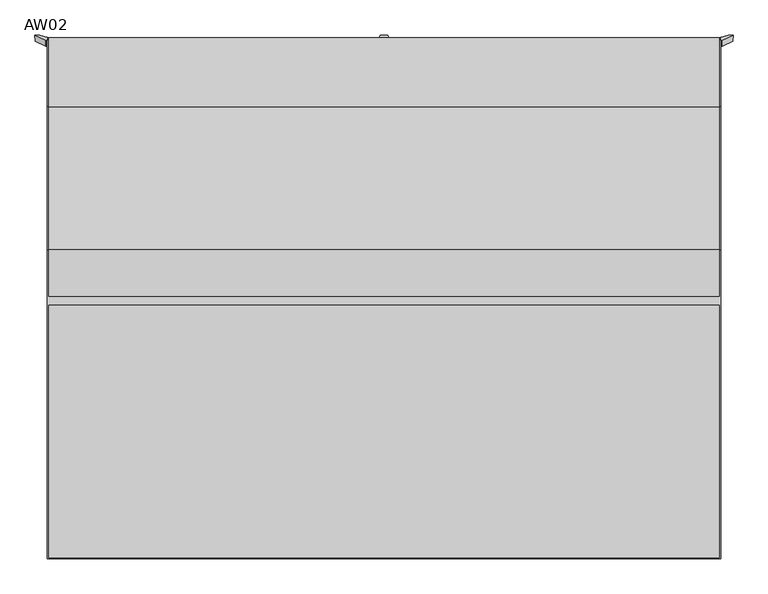
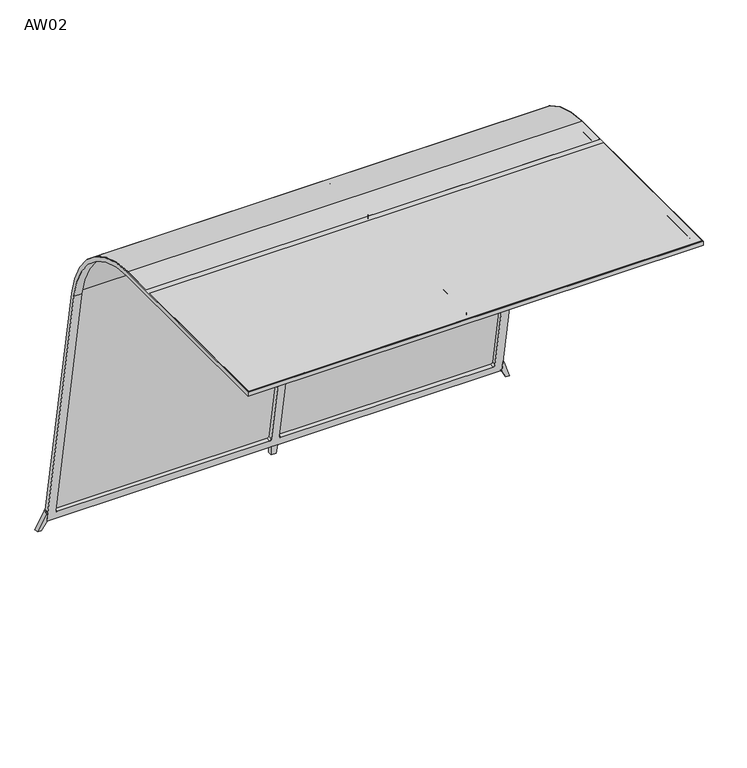
"""IFC4 building model written with IfcOpenShell, lengths in millimetres: furniture geometry, AW02."""

from ifc_helpers import new_model, si_unit, point, frame, frame_2d, origin, place, context, project, spatial, polyline, circle_curve, trimmed, segment, composite_curve, outline, extrude, faceted_brep, source, transform, mapped, element, save
from ifc_brep_helpers import plane_surface, cylinder_surface, revolved_surface, advanced_brep


def aw02_ad783341(model_context):
    return source(origin(), model_context, "Body", "SolidModel", [
        extrude(outline(polyline([(1445.0, 1093.0), (1445.0, 5.0), (-1445.0, 5.0), (-1445.0, 1093.0), (1445.0, 1093.0)])), frame((0.0, 0.0, 2276.5), z_axis=(0.0, 0.0, 1.0), x_axis=(1.0, 0.0, 0.0)), (0.0, 0.0, 1.0), 1.0),
        extrude(outline(composite_curve([segment(trimmed(circle_curve(frame_2d((1332.5, 1651.0)), 626.5), [point((1332.5, 2277.5))], [point((1949.4820573, 1759.7905833))], False, "CARTESIAN"), True, "CONTINUOUS"), segment(polyline([(1949.4820573, 1759.7905833), (2247.4623301, 69.8604791), (2246.4775224, 69.686831), (1948.4972495, 1759.6169351)]), True, "CONTINUOUS"), segment(trimmed(circle_curve(frame_2d((1332.5, 1651.0)), 625.5), [point((1948.4972495, 1759.6169351))], [point((1332.5, 2276.5))], True, "CARTESIAN"), True, "CONTINUOUS"), segment(polyline([(1332.5, 2276.5), (1133.0, 2276.5), (1133.0, 2277.5), (1332.5, 2277.5)]), True, "CONTINUOUS")], self_intersect=False)), frame((-1445.0, 0.0, 0.0), z_axis=(1.0, 0.0, 0.0), x_axis=(0.0, 1.0, 0.0)), (0.0, 0.0, 1.0), 2890.0),
        advanced_brep(
        [(1457.8660475, 2210.5325113, 120.9337011), (1453.1675844, 2209.9612263, 124.1736194), (1450.0, 2209.9612263, 124.1736194), (1450.0, 2221.3775041, 59.4286904), (1454.0192379, 2223.9822268, 44.6565741), (1480.1994594, 2231.8563857, 0.0), (1502.5613369, 2231.8563857, 0.0), (1454.0192379, 2249.5872284, 49.1714267), (1450.0, 2246.9825057, 63.943543), (1450.0, 2235.5662278, 128.6884721), (1453.1675844, 2235.5662278, 128.6884721), (1457.8660475, 2236.1375129, 125.4485537), (1504.229959, 2258.2574776, 0.0), (1482.8463225, 2258.2574776, 0.0)],
        [
            (0, 1, circle_curve(frame((1453.1675844, 2210.8294672, 119.2495807), z_axis=(0.0, -0.9848077530122067, -0.17364817766693855), x_axis=(0.0, -0.17364817766693855, 0.9848077530122067)), 5.0)),
            (1, 2),
            (2, 3),
            (3, 4, circle_curve(frame((1480.0, 2221.3775041, 59.4286904), z_axis=(0.0, -0.9848077530122067, -0.17364817766693855), x_axis=(0.0, -0.17364817766693855, 0.9848077530122067)), 30.0)),
            (4, 5),
            (5, 6),
            (6, 0),
            (7, 8, circle_curve(frame((1480.0, 2246.9825057, 63.943543), z_axis=(0.0, 0.9848077530122067, 0.17364817766693855), x_axis=(0.0, -0.17364817766693855, 0.9848077530122067)), 30.0)),
            (8, 9),
            (9, 10),
            (10, 11, circle_curve(frame((1453.1675844, 2236.4344687, 123.7644333), z_axis=(0.0, 0.9848077530122067, 0.17364817766693855), x_axis=(0.0, -0.17364817766693855, 0.9848077530122067)), 5.0)),
            (11, 12),
            (12, 13),
            (13, 7),
            (11, 0),
            (6, 12),
            (1, 10),
            (9, 2),
            (8, 3),
            (7, 4),
            (13, 5),
        ],
        [
            plane_surface(frame((1503.5809743, 2238.8887847, -39.8827167), z_axis=(0.0, -0.9848077530122067, -0.17364817766693852), x_axis=(0.4999999999998619, 0.1503837331804562, -0.8528685319525204))),
            plane_surface(frame((1503.5809743, 2264.4937863, -35.3678641), z_axis=(0.0, 0.9848077530122067, 0.17364817766693852), x_axis=(-0.4999999999998619, -0.1503837331804562, 0.8528685319525204))),
            plane_surface(frame((1517.3013932, 2238.8887847, -39.8827167), z_axis=(0.939692620785929, -0.059391174613877676, 0.3368240888334091), x_axis=(0.0, 0.9848077530122066, 0.17364817766693844))),
            plane_surface(frame((1453.1675844, 2209.9612263, 124.1736194), z_axis=(0.0, -0.17364817766694005, 0.9848077530122064), x_axis=(0.0, 0.9848077530122064, 0.17364817766694005))),
            plane_surface(frame((1450.0, 2209.9612263, 124.1736194), z_axis=(-1.0, 0.0, 0.0), x_axis=(0.0, 0.9848077530122061, 0.1736481776669413))),
            cylinder_surface(frame((1480.0, 2246.9825057, 63.943543), z_axis=(0.0, -0.9848077530122067, -0.17364817766693855), x_axis=(0.0, -0.17364817766693855, 0.9848077530122067)), 30.0),
            plane_surface(frame((1454.0192379, 2223.9822268, 44.6565741), z_axis=(-0.8660254037845184, 0.08682408883344525, -0.49240387650596734), x_axis=(0.0, 0.9848077530122066, 0.17364817766693844))),
            cylinder_surface(frame((1453.1675844, 2236.4344687, 123.7644333), z_axis=(0.0, -0.9848077530122067, -0.17364817766693855), x_axis=(0.0, -0.17364817766693855, 0.9848077530122067)), 5.0),
            plane_surface(frame((1523.0856845, 2299.3591091, 0.0), z_axis=(0.0, 0.0, -1.0), x_axis=(-1.0, 0.0, 0.0))),
        ],
        [
            (0, [[1, 2, 3, 4, 5, 6, 7]]),
            (1, [[8, 9, 10, 11, 12, 13, 14]]),
            (2, [[15, -7, 16, -12]]),
            (3, [[-2, 17, -10, 18]]),
            (4, [[-3, -18, -9, 19]]),
            (5, [[-4, -19, -8, 20]]),
            (6, [[-20, -14, 21, -5]]),
            (7, [[-1, -15, -11, -17]]),
            (8, [[-6, -21, -13, -16]]),
        ],
    ),
        advanced_brep(
        [(-1454.0192379, 2223.9822268, 44.6565741), (-1450.0, 2221.3775041, 59.4286904), (-1450.0, 2209.9612263, 124.1736194), (-1453.1675844, 2209.9612263, 124.1736194), (-1457.8660475, 2210.5325113, 120.9337011), (-1502.5613369, 2231.8563857, 0.0), (-1480.1994594, 2231.8563857, 0.0), (-1457.8660475, 2236.1375129, 125.4485537), (-1453.1675844, 2235.5662278, 128.6884721), (-1450.0, 2235.5662278, 128.6884721), (-1450.0, 2246.9825057, 63.943543), (-1454.0192379, 2249.5872284, 49.1714267), (-1482.8463225, 2258.2574776, 0.0), (-1504.229959, 2258.2574776, 0.0)],
        [
            (0, 1, circle_curve(frame((-1480.0, 2221.3775041, 59.4286904), z_axis=(0.0, -0.9848077530122067, -0.17364817766693855), x_axis=(0.0, -0.17364817766693855, 0.9848077530122067)), 30.0)),
            (1, 2),
            (2, 3),
            (3, 4, circle_curve(frame((-1453.1675844, 2210.8294672, 119.2495807), z_axis=(0.0, -0.9848077530122067, -0.17364817766693855), x_axis=(0.0, -0.17364817766693855, 0.9848077530122067)), 5.0)),
            (4, 5),
            (5, 6),
            (6, 0),
            (7, 8, circle_curve(frame((-1453.1675844, 2236.4344687, 123.7644333), z_axis=(0.0, 0.9848077530122067, 0.17364817766693855), x_axis=(0.0, -0.17364817766693855, 0.9848077530122067)), 5.0)),
            (8, 9),
            (9, 10),
            (10, 11, circle_curve(frame((-1480.0, 2246.9825057, 63.943543), z_axis=(0.0, 0.9848077530122067, 0.17364817766693855), x_axis=(0.0, -0.17364817766693855, 0.9848077530122067)), 30.0)),
            (11, 12),
            (12, 13),
            (13, 7),
            (5, 13),
            (12, 6),
            (0, 11),
            (10, 1),
            (9, 2),
            (8, 3),
            (7, 4),
        ],
        [
            plane_surface(frame((1503.5809743, 2238.8887847, -39.8827167), z_axis=(0.0, -0.9848077530122067, -0.17364817766693852), x_axis=(0.4999999999998619, 0.1503837331804562, -0.8528685319525204))),
            plane_surface(frame((1503.5809743, 2264.4937863, -35.3678641), z_axis=(0.0, 0.9848077530122067, 0.17364817766693852), x_axis=(-0.4999999999998619, -0.1503837331804562, 0.8528685319525204))),
            plane_surface(frame((1523.0856845, 2299.3591091, 0.0), z_axis=(0.0, 0.0, -1.0), x_axis=(-1.0, 0.0, 0.0))),
            cylinder_surface(frame((-1480.0, 2246.9825057, 63.943543), z_axis=(0.0, -0.9848077530122067, -0.17364817766693855), x_axis=(0.0, -0.17364817766693855, 0.9848077530122067)), 30.0),
            plane_surface(frame((-1450.0, 2221.3775041, 59.4286904), z_axis=(1.0, 0.0, -3.9822069507487565e-12), x_axis=(0.0, 0.9848077530122066, 0.17364817766693844))),
            plane_surface(frame((-1450.0, 2209.9612263, 124.1736194), z_axis=(0.0, -0.17364817766693877, 0.9848077530122066), x_axis=(0.0, 0.9848077530122066, 0.17364817766693877))),
            cylinder_surface(frame((-1453.1675844, 2236.4344687, 123.7644333), z_axis=(0.0, -0.9848077530122067, -0.17364817766693855), x_axis=(0.0, -0.17364817766693855, 0.9848077530122067)), 5.0),
            plane_surface(frame((-1457.8660475, 2210.5325113, 120.9337011), z_axis=(-0.9396926207858993, -0.05939117461389192, 0.33682408883348924), x_axis=(0.0, 0.9848077530122066, 0.17364817766693877))),
            plane_surface(frame((-1503.5809743, 2238.8887847, -39.8827167), z_axis=(0.8660254037844278, 0.08682408883347245, -0.49240387650612166), x_axis=(0.0, 0.9848077530122066, 0.17364817766693844))),
        ],
        [
            (0, [[1, 2, 3, 4, 5, 6, 7]]),
            (1, [[8, 9, 10, 11, 12, 13, 14]]),
            (2, [[-6, 15, -13, 16]]),
            (3, [[-1, 17, -11, 18]]),
            (4, [[-2, -18, -10, 19]]),
            (5, [[-3, -19, -9, 20]]),
            (6, [[-4, -20, -8, 21]]),
            (7, [[-21, -14, -15, -5]]),
            (8, [[-17, -7, -16, -12]]),
        ],
    ),
        faceted_brep([(21.1651871, 2221.2483578, 60.1611155), (-21.1651871, 2221.2483578, 60.1611155), (-15.8205748, 2231.8563857, 0.0), (15.8205748, 2231.8563857, 0.0), (-21.1651871, 2246.8533594, 64.6759681), (21.1651871, 2246.8533594, 64.6759681), (15.4194829, 2258.2574776, 0.0), (-15.4194829, 2258.2574776, 0.0)], [[[0, 1, 2, 3]], [[4, 5, 6, 7]], [[3, 2, 7, 6]], [[1, 4, 7, 2]], [[5, 0, 3, 6]], [[1, 0, 5, 4]]]),
        advanced_brep(
        [(1450.0, 0.0, 2250.0), (1450.0, 1332.5, 2250.0), (1450.0, 1922.3998441, 1755.0152584), (1450.0, 2221.2483578, 60.1611155), (1450.0, 2246.8533594, 64.6759681), (1450.0, 1948.0048456, 1759.530111), (1450.0, 1332.5, 2276.0), (1450.0, 0.0, 2276.0), (-1450.0, 0.0, 2250.0), (-1450.0, 0.0, 2276.0), (-1450.0, 1332.5, 2276.0), (-1450.0, 1948.0048456, 1759.530111), (-1450.0, 2246.8533594, 64.6759681), (-1450.0, 2221.2483578, 60.1611155), (-1450.0, 1922.3998441, 1755.0152584), (-1450.0, 1332.5, 2250.0), (-1400.0, 1332.5, 2250.0), (-1400.0, 1149.5, 2250.0), (-1388.0, 1137.5, 2250.0), (-37.0, 1137.5, 2250.0), (-25.0, 1149.5, 2250.0), (-25.0, 1332.5, 2250.0), (25.0, 1332.5, 2250.0), (25.0, 1149.5, 2250.0), (37.0, 1137.5, 2250.0), (1388.0, 1137.5, 2250.0), (1400.0, 1149.5, 2250.0), (1400.0, 1332.5, 2250.0), (-37.0, 1087.5, 2250.0), (-1388.0, 1087.5, 2250.0), (-1400.0, 1075.5, 2250.0), (-1400.0, 62.0, 2250.0), (-1388.0, 50.0, 2250.0), (-37.0, 50.0, 2250.0), (-25.0, 62.0, 2250.0), (-25.0, 1075.5, 2250.0), (37.0, 1087.5, 2250.0), (25.0, 1075.5, 2250.0), (25.0, 62.0, 2250.0), (37.0, 50.0, 2250.0), (1388.0, 50.0, 2250.0), (1400.0, 62.0, 2250.0), (1400.0, 1075.5, 2250.0), (1388.0, 1087.5, 2250.0), (1400.0, 1922.3998441, 1755.0152584), (-1400.0, 1922.3998441, 1755.0152584), (25.0, 1922.3998441, 1755.0152584), (-25.0, 1922.3998441, 1755.0152584), (1400.0, 2210.4821708, 121.2191962), (1388.0, 2212.5659489, 109.4015031), (37.0, 2212.5659489, 109.4015031), (25.0, 2210.4821708, 121.2191962), (-25.0, 2210.4821708, 121.2191962), (-37.0, 2212.5659489, 109.4015031), (-1388.0, 2212.5659489, 109.4015031), (-1400.0, 2210.4821708, 121.2191962), (-1400.0, 1948.0048456, 1759.530111), (-1400.0, 2236.0871724, 125.7340488), (-1388.0, 2238.1709505, 113.9163558), (-37.0, 2238.1709505, 113.9163558), (-25.0, 2236.0871724, 125.7340488), (-25.0, 1948.0048456, 1759.530111), (25.0, 1948.0048456, 1759.530111), (25.0, 2236.0871724, 125.7340488), (37.0, 2238.1709505, 113.9163558), (1388.0, 2238.1709505, 113.9163558), (1400.0, 2236.0871724, 125.7340488), (1400.0, 1948.0048456, 1759.530111), (1400.0, 1332.5, 2276.0), (-1400.0, 1332.5, 2276.0), (-25.0, 1332.5, 2276.0), (25.0, 1332.5, 2276.0), (1400.0, 1149.5, 2276.0), (1388.0, 1137.5, 2276.0), (37.0, 1137.5, 2276.0), (25.0, 1149.5, 2276.0), (-25.0, 1149.5, 2276.0), (-37.0, 1137.5, 2276.0), (-1388.0, 1137.5, 2276.0), (-1400.0, 1149.5, 2276.0), (-1388.0, 1087.5, 2276.0), (-37.0, 1087.5, 2276.0), (-25.0, 1075.5, 2276.0), (-25.0, 62.0, 2276.0), (-37.0, 50.0, 2276.0), (-1388.0, 50.0, 2276.0), (-1400.0, 62.0, 2276.0), (-1400.0, 1075.5, 2276.0), (25.0, 1075.5, 2276.0), (37.0, 1087.5, 2276.0), (1388.0, 1087.5, 2276.0), (1400.0, 1075.5, 2276.0), (1400.0, 62.0, 2276.0), (1388.0, 50.0, 2276.0), (37.0, 50.0, 2276.0), (25.0, 62.0, 2276.0)],
        [
            (0, 1),
            (1, 2, circle_curve(frame((1450.0, 1332.5, 1651.0), z_axis=(-1.0, 0.0, 0.0), x_axis=(0.0, 1.0, 0.0)), 599.0)),
            (2, 3),
            (3, 4),
            (4, 5),
            (5, 6, circle_curve(frame((1450.0, 1332.5, 1651.0), z_axis=(1.0, 0.0, 0.0), x_axis=(0.0, 1.0, 0.0)), 625.0)),
            (6, 7),
            (7, 0),
            (8, 9),
            (9, 10),
            (10, 11, circle_curve(frame((-1450.0, 1332.5, 1651.0), z_axis=(-1.0, 0.0, 0.0), x_axis=(0.0, 1.0, 0.0)), 625.0)),
            (11, 12),
            (12, 13),
            (13, 14),
            (14, 15, circle_curve(frame((-1450.0, 1332.5, 1651.0), z_axis=(1.0, 0.0, 0.0), x_axis=(0.0, 1.0, 0.0)), 599.0)),
            (15, 8),
            (0, 8),
            (15, 16),
            (16, 17),
            (17, 18, circle_curve(frame((-1388.0, 1149.5, 2250.0), z_axis=(0.0, 0.0, 1.0), x_axis=(1.0, 0.0, 0.0)), 12.0)),
            (18, 19),
            (19, 20, circle_curve(frame((-37.0, 1149.5, 2250.0), z_axis=(0.0, 0.0, 1.0), x_axis=(1.0, 0.0, 0.0)), 12.0)),
            (20, 21),
            (21, 22),
            (22, 23),
            (23, 24, circle_curve(frame((37.0, 1149.5, 2250.0), z_axis=(0.0, 0.0, 1.0), x_axis=(1.0, 0.0, 0.0)), 12.0)),
            (24, 25),
            (25, 26, circle_curve(frame((1388.0, 1149.5, 2250.0), z_axis=(0.0, 0.0, 1.0), x_axis=(1.0, 0.0, 0.0)), 12.0)),
            (26, 27),
            (27, 1),
            (28, 29),
            (29, 30, circle_curve(frame((-1388.0, 1075.5, 2250.0), z_axis=(0.0, 0.0, 1.0), x_axis=(1.0, 0.0, 0.0)), 12.0)),
            (30, 31),
            (31, 32, circle_curve(frame((-1388.0, 62.0, 2250.0), z_axis=(0.0, 0.0, 1.0), x_axis=(1.0, 0.0, 0.0)), 12.0)),
            (32, 33),
            (33, 34, circle_curve(frame((-37.0, 62.0, 2250.0), z_axis=(0.0, 0.0, 1.0), x_axis=(1.0, 0.0, 0.0)), 12.0)),
            (34, 35),
            (35, 28, circle_curve(frame((-37.0, 1075.5, 2250.0), z_axis=(0.0, 0.0, 1.0), x_axis=(1.0, 0.0, 0.0)), 12.0)),
            (36, 37, circle_curve(frame((37.0, 1075.5, 2250.0), z_axis=(0.0, 0.0, 1.0), x_axis=(1.0, 0.0, 0.0)), 12.0)),
            (37, 38),
            (38, 39, circle_curve(frame((37.0, 62.0, 2250.0), z_axis=(0.0, 0.0, 1.0), x_axis=(1.0, 0.0, 0.0)), 12.0)),
            (39, 40),
            (40, 41, circle_curve(frame((1388.0, 62.0, 2250.0), z_axis=(0.0, 0.0, 1.0), x_axis=(1.0, 0.0, 0.0)), 12.0)),
            (41, 42),
            (42, 43, circle_curve(frame((1388.0, 1075.5, 2250.0), z_axis=(0.0, 0.0, 1.0), x_axis=(1.0, 0.0, 0.0)), 12.0)),
            (43, 36),
            (27, 44, circle_curve(frame((1400.0, 1332.5, 1651.0), z_axis=(-1.0, 0.0, 0.0), x_axis=(0.0, 1.0, 0.0)), 599.0)),
            (44, 2),
            (14, 45),
            (45, 16, circle_curve(frame((-1400.0, 1332.5, 1651.0), z_axis=(1.0, 0.0, 0.0), x_axis=(0.0, 1.0, 0.0)), 599.0)),
            (46, 22, circle_curve(frame((25.0, 1332.5, 1651.0), z_axis=(1.0, 0.0, 0.0), x_axis=(0.0, 1.0, 0.0)), 599.0)),
            (21, 47, circle_curve(frame((-25.0, 1332.5, 1651.0), z_axis=(-1.0, 0.0, 0.0), x_axis=(0.0, 1.0, 0.0)), 599.0)),
            (47, 46),
            (44, 48),
            (48, 49, circle_curve(frame((1388.0, 2210.4821708, 121.2191962), z_axis=(0.0, 0.9848077530122067, 0.17364817766693855), x_axis=(0.0, -0.17364817766693855, 0.9848077530122067)), 12.0)),
            (49, 50),
            (50, 51, circle_curve(frame((37.0, 2210.4821708, 121.2191962), z_axis=(0.0, 0.9848077530122067, 0.17364817766693855), x_axis=(0.0, -0.17364817766693855, 0.9848077530122067)), 12.0)),
            (51, 46),
            (47, 52),
            (52, 53, circle_curve(frame((-37.0, 2210.4821708, 121.2191962), z_axis=(0.0, 0.9848077530122067, 0.17364817766693855), x_axis=(0.0, -0.17364817766693855, 0.9848077530122067)), 12.0)),
            (53, 54),
            (54, 55, circle_curve(frame((-1388.0, 2210.4821708, 121.2191962), z_axis=(0.0, 0.9848077530122067, 0.17364817766693855), x_axis=(0.0, -0.17364817766693855, 0.9848077530122067)), 12.0)),
            (55, 45),
            (13, 3),
            (12, 4),
            (11, 56),
            (56, 57),
            (57, 58, circle_curve(frame((-1388.0, 2236.0871724, 125.7340488), z_axis=(0.0, -0.9848077530122067, -0.17364817766693855), x_axis=(0.0, -0.17364817766693855, 0.9848077530122067)), 12.0)),
            (58, 59),
            (59, 60, circle_curve(frame((-37.0, 2236.0871724, 125.7340488), z_axis=(0.0, -0.9848077530122067, -0.17364817766693855), x_axis=(0.0, -0.17364817766693855, 0.9848077530122067)), 12.0)),
            (60, 61),
            (61, 62),
            (62, 63),
            (63, 64, circle_curve(frame((37.0, 2236.0871724, 125.7340488), z_axis=(0.0, -0.9848077530122067, -0.17364817766693855), x_axis=(0.0, -0.17364817766693855, 0.9848077530122067)), 12.0)),
            (64, 65),
            (65, 66, circle_curve(frame((1388.0, 2236.0871724, 125.7340488), z_axis=(0.0, -0.9848077530122067, -0.17364817766693855), x_axis=(0.0, -0.17364817766693855, 0.9848077530122067)), 12.0)),
            (66, 67),
            (67, 5),
            (67, 68, circle_curve(frame((1400.0, 1332.5, 1651.0), z_axis=(1.0, 0.0, 0.0), x_axis=(0.0, 1.0, 0.0)), 625.0)),
            (68, 6),
            (10, 69),
            (69, 56, circle_curve(frame((-1400.0, 1332.5, 1651.0), z_axis=(-1.0, 0.0, 0.0), x_axis=(0.0, 1.0, 0.0)), 625.0)),
            (61, 70, circle_curve(frame((-25.0, 1332.5, 1651.0), z_axis=(1.0, 0.0, 0.0), x_axis=(0.0, 1.0, 0.0)), 625.0)),
            (70, 71),
            (71, 62, circle_curve(frame((25.0, 1332.5, 1651.0), z_axis=(-1.0, 0.0, 0.0), x_axis=(0.0, 1.0, 0.0)), 625.0)),
            (68, 72),
            (72, 73, circle_curve(frame((1388.0, 1149.5, 2276.0), z_axis=(0.0, 0.0, -1.0), x_axis=(1.0, 0.0, 0.0)), 12.0)),
            (73, 74),
            (74, 75, circle_curve(frame((37.0, 1149.5, 2276.0), z_axis=(0.0, 0.0, -1.0), x_axis=(1.0, 0.0, 0.0)), 12.0)),
            (75, 71),
            (70, 76),
            (76, 77, circle_curve(frame((-37.0, 1149.5, 2276.0), z_axis=(0.0, 0.0, -1.0), x_axis=(1.0, 0.0, 0.0)), 12.0)),
            (77, 78),
            (78, 79, circle_curve(frame((-1388.0, 1149.5, 2276.0), z_axis=(0.0, 0.0, -1.0), x_axis=(1.0, 0.0, 0.0)), 12.0)),
            (79, 69),
            (9, 7),
            (80, 81),
            (81, 82, circle_curve(frame((-37.0, 1075.5, 2276.0), z_axis=(0.0, 0.0, -1.0), x_axis=(1.0, 0.0, 0.0)), 12.0)),
            (82, 83),
            (83, 84, circle_curve(frame((-37.0, 62.0, 2276.0), z_axis=(0.0, 0.0, -1.0), x_axis=(1.0, 0.0, 0.0)), 12.0)),
            (84, 85),
            (85, 86, circle_curve(frame((-1388.0, 62.0, 2276.0), z_axis=(0.0, 0.0, -1.0), x_axis=(1.0, 0.0, 0.0)), 12.0)),
            (86, 87),
            (87, 80, circle_curve(frame((-1388.0, 1075.5, 2276.0), z_axis=(0.0, 0.0, -1.0), x_axis=(1.0, 0.0, 0.0)), 12.0)),
            (88, 89, circle_curve(frame((37.0, 1075.5, 2276.0), z_axis=(0.0, 0.0, -1.0), x_axis=(1.0, 0.0, 0.0)), 12.0)),
            (89, 90),
            (90, 91, circle_curve(frame((1388.0, 1075.5, 2276.0), z_axis=(0.0, 0.0, -1.0), x_axis=(1.0, 0.0, 0.0)), 12.0)),
            (91, 92),
            (92, 93, circle_curve(frame((1388.0, 62.0, 2276.0), z_axis=(0.0, 0.0, -1.0), x_axis=(1.0, 0.0, 0.0)), 12.0)),
            (93, 94),
            (94, 95, circle_curve(frame((37.0, 62.0, 2276.0), z_axis=(0.0, 0.0, -1.0), x_axis=(1.0, 0.0, 0.0)), 12.0)),
            (95, 88),
            (28, 81),
            (80, 29),
            (87, 30),
            (86, 31),
            (85, 32),
            (84, 33),
            (83, 34),
            (82, 35),
            (36, 89),
            (88, 37),
            (95, 38),
            (94, 39),
            (93, 40),
            (92, 41),
            (91, 42),
            (90, 43),
            (79, 17),
            (55, 57),
            (78, 18),
            (77, 19),
            (76, 20),
            (60, 52),
            (75, 23),
            (51, 63),
            (74, 24),
            (73, 25),
            (72, 26),
            (66, 48),
            (54, 58),
            (53, 59),
            (50, 64),
            (49, 65),
        ],
        [
            plane_surface(frame((1450.0, 2420.3012724, 2250.0), z_axis=(1.0, 0.0, 0.0), x_axis=(0.0, 1.0, 0.0))),
            plane_surface(frame((-1450.0, 2420.3012724, 2250.0), z_axis=(-1.0, 0.0, 0.0), x_axis=(0.0, -1.0, 0.0))),
            plane_surface(frame((1450.0, 0.0, 2250.0), z_axis=(0.0, 0.0, -1.0), x_axis=(-1.0, 0.0, 0.0))),
            revolved_surface(polyline([(1400.0, 1931.5, 1651.0), (1450.0, 1931.5, 1651.0)]), (-1450.0, 1332.5, 1651.0), (-1.0, 0.0, 0.0)),
            revolved_surface(polyline([(-1450.0, 1931.5, 1651.0), (-1400.0, 1931.5, 1651.0)]), (-1450.0, 1332.5, 1651.0), (-1.0, 0.0, 0.0)),
            revolved_surface(polyline([(-25.0, 1931.5, 1651.0), (25.0, 1931.5, 1651.0)]), (-1450.0, 1332.5, 1651.0), (-1.0, 0.0, 0.0)),
            plane_surface(frame((1450.0, 1922.3998441, 1755.0152584), z_axis=(0.0, -0.9848077530122077, -0.17364817766693247), x_axis=(-1.0, 0.0, 0.0))),
            plane_surface(frame((1450.0, 2221.2483578, 60.1611155), z_axis=(0.0, 0.17364817766695131, -0.9848077530122045), x_axis=(-1.0, 0.0, 0.0))),
            plane_surface(frame((1450.0, 2246.8533594, 64.6759681), z_axis=(0.0, 0.9848077530122072, 0.1736481776669352), x_axis=(-1.0, 0.0, 0.0))),
            cylinder_surface(frame((-1450.0, 1332.5, 1651.0), z_axis=(1.0, 0.0, 0.0), x_axis=(0.0, 1.0, 0.0)), 625.0),
            plane_surface(frame((1450.0, 1332.5, 2276.0), z_axis=(0.0, 0.0, 1.0), x_axis=(-1.0, 0.0, 0.0))),
            plane_surface(frame((1450.0, 0.0, 2276.0), z_axis=(0.0, -1.0, 0.0), x_axis=(-1.0, 0.0, 0.0))),
            plane_surface(frame((-37.0, 1087.5, 2301.0), z_axis=(0.0, -1.0, 0.0), x_axis=(0.0, 0.0, -1.0))),
            revolved_surface(polyline([(-1376.0, 1075.5, 2276.0), (-1376.0, 1075.5, 2250.0)]), (-1388.0, 1075.5, 2225.0), (0.0, 0.0, 1.0)),
            plane_surface(frame((-1400.0, 1075.5, 2301.0), z_axis=(1.0, 0.0, 0.0), x_axis=(0.0, 0.0, -1.0))),
            revolved_surface(polyline([(-1376.0, 62.0, 2276.0), (-1376.0, 62.0, 2250.0)]), (-1388.0, 62.0, 2225.0), (0.0, 0.0, 1.0)),
            plane_surface(frame((-1388.0, 50.0, 2301.0), z_axis=(0.0, 1.0, 0.0), x_axis=(0.0, 0.0, -1.0))),
            revolved_surface(polyline([(-25.0, 62.0, 2276.0), (-25.0, 62.0, 2250.0)]), (-37.0, 62.0, 2225.0), (0.0, 0.0, 1.0)),
            plane_surface(frame((-25.0, 62.0, 2301.0), z_axis=(-1.0, 0.0, 0.0), x_axis=(0.0, 0.0, -1.0))),
            revolved_surface(polyline([(-25.0, 1075.5, 2276.0), (-25.0, 1075.5, 2250.0)]), (-37.0, 1075.5, 2225.0), (0.0, 0.0, 1.0)),
            revolved_surface(polyline([(49.0, 1075.5, 2276.0), (49.0, 1075.5, 2250.0)]), (37.0, 1075.5, 0.0), (0.0, 0.0, 1.0)),
            plane_surface(frame((25.0, 1075.5, 2301.0), z_axis=(1.0, 0.0, 0.0), x_axis=(0.0, 0.0, -1.0))),
            revolved_surface(polyline([(49.0, 62.0, 2276.0), (49.0, 62.0, 2250.0)]), (37.0, 62.0, 0.0), (0.0, 0.0, 1.0)),
            plane_surface(frame((37.0, 50.0, 2301.0), z_axis=(0.0, 1.0, 0.0), x_axis=(0.0, 0.0, -1.0))),
            revolved_surface(polyline([(1400.0, 62.0, 2276.0), (1400.0, 62.0, 2250.0)]), (1388.0, 62.0, 0.0), (0.0, 0.0, 1.0)),
            plane_surface(frame((1400.0, 62.0, 2301.0), z_axis=(-1.0, 0.0, 0.0), x_axis=(0.0, 0.0, -1.0))),
            revolved_surface(polyline([(1400.0, 1075.5, 2276.0), (1400.0, 1075.5, 2250.0)]), (1388.0, 1075.5, 0.0), (0.0, 0.0, 1.0)),
            plane_surface(frame((1388.0, 1087.5, 2301.0), z_axis=(0.0, -1.0, 0.0), x_axis=(0.0, 0.0, -1.0))),
            plane_surface(frame((-1400.0, 2175.0, 2301.0), z_axis=(1.0, 0.0, 0.0), x_axis=(0.0, 0.0, -1.0))),
            revolved_surface(polyline([(-1376.0, 1149.5, 2276.0), (-1376.0, 1149.5, 2250.0)]), (-1388.0, 1149.5, 0.0), (0.0, 0.0, 1.0)),
            plane_surface(frame((-1388.0, 1137.5, 2301.0), z_axis=(0.0, 1.0, 0.0), x_axis=(0.0, 0.0, -1.0))),
            revolved_surface(polyline([(-25.0, 1149.5, 2276.0), (-25.0, 1149.5, 2250.0)]), (-37.0, 1149.5, 0.0), (0.0, 0.0, 1.0)),
            plane_surface(frame((-25.0, 1149.5, 2301.0), z_axis=(-1.0, 0.0, 0.0), x_axis=(0.0, 0.0, -1.0))),
            plane_surface(frame((25.0, 2175.0, 2301.0), z_axis=(1.0, 0.0, 0.0), x_axis=(0.0, 0.0, -1.0))),
            revolved_surface(polyline([(49.0, 1149.5, 2276.0), (49.0, 1149.5, 2250.0)]), (37.0, 1149.5, 0.0), (0.0, 0.0, 1.0)),
            plane_surface(frame((37.0, 1137.5, 2301.0), z_axis=(0.0, 1.0, 0.0), x_axis=(0.0, 0.0, -1.0))),
            revolved_surface(polyline([(1400.0, 1149.5, 2276.0), (1400.0, 1149.5, 2250.0)]), (1388.0, 1149.5, 0.0), (0.0, 0.0, 1.0)),
            plane_surface(frame((1400.0, 1149.5, 2301.0), z_axis=(-1.0, 0.0, 0.0), x_axis=(0.0, 0.0, -1.0))),
            revolved_surface(polyline([(-1388.0, 2208.398392628607, 133.03688921418322), (-1388.0, 2234.0033942666037, 137.55174184404666)]), (-1388.0, 2337.1921214, 143.5615792), (0.0, -0.9848077530122067, -0.17364817766693855)),
            plane_surface(frame((-1388.0, 1818.5042379, 39.9177914), z_axis=(0.0, -0.17364817766693902, 0.9848077530122066), x_axis=(0.0, 0.9848077530122066, 0.17364817766693902))),
            revolved_surface(polyline([(-37.0, 2208.398392628607, 133.03688921418322), (-37.0, 2234.0033942666037, 137.55174184404666)]), (-37.0, 2337.1921214, 143.5615792), (0.0, -0.9848077530122067, -0.17364817766693855)),
            revolved_surface(polyline([(37.0, 2208.39839263, 133.03688920628304), (37.0, 2234.0033942679966, 137.55174183614648)]), (37.0, 2236.0871724, 125.7340488), (0.0, -0.9848077530122067, -0.17364817766693855)),
            plane_surface(frame((37.0, 1818.5042379, 39.9177914), z_axis=(0.0, -0.17364817766693902, 0.9848077530122066), x_axis=(0.0, 0.9848077530122066, 0.17364817766693902))),
            revolved_surface(polyline([(1388.0, 2208.39839263, 133.03688920628304), (1388.0, 2234.0033942679966, 137.55174183614648)]), (1388.0, 2236.0871724, 125.7340488), (0.0, -0.9848077530122067, -0.17364817766693855)),
        ],
        [
            (0, [[1, 2, 3, 4, 5, 6, 7, 8]]),
            (1, [[9, 10, 11, 12, 13, 14, 15, 16]]),
            (2, [[-1, 17, -16, 18, 19, 20, 21, 22, 23, 24, 25, 26, 27, 28, 29, 30], [31, 32, 33, 34, 35, 36, 37, 38], [39, 40, 41, 42, 43, 44, 45, 46]]),
            (3, [[-2, -30, 47, 48]]),
            (4, [[-15, 49, 50, -18]]),
            (5, [[51, -24, 52, 53]]),
            (6, [[-3, -48, 54, 55, 56, 57, 58, -53, 59, 60, 61, 62, 63, -49, -14, 64]]),
            (7, [[-4, -64, -13, 65]]),
            (8, [[-5, -65, -12, 66, 67, 68, 69, 70, 71, 72, 73, 74, 75, 76, 77, 78]]),
            (9, [[-6, -78, 79, 80]]),
            (9, [[-11, 81, 82, -66]]),
            (9, [[83, 84, 85, -72]]),
            (10, [[-7, -80, 86, 87, 88, 89, 90, -84, 91, 92, 93, 94, 95, -81, -10, 96], [97, 98, 99, 100, 101, 102, 103, 104], [105, 106, 107, 108, 109, 110, 111, 112]]),
            (11, [[-8, -96, -9, -17]]),
            (12, [[113, -97, 114, -31]]),
            (13, [[-114, -104, 115, -32]]),
            (14, [[-115, -103, 116, -33]]),
            (15, [[-116, -102, 117, -34]]),
            (16, [[-117, -101, 118, -35]]),
            (17, [[-118, -100, 119, -36]]),
            (18, [[-119, -99, 120, -37]]),
            (19, [[-113, -38, -120, -98]]),
            (20, [[121, -105, 122, -39]]),
            (21, [[-122, -112, 123, -40]]),
            (22, [[-123, -111, 124, -41]]),
            (23, [[-124, -110, 125, -42]]),
            (24, [[-125, -109, 126, -43]]),
            (25, [[-126, -108, 127, -44]]),
            (26, [[-127, -107, 128, -45]]),
            (27, [[-121, -46, -128, -106]]),
            (28, [[129, -19, -50, -63, 130, -67, -82, -95]]),
            (29, [[-129, -94, 131, -20]]),
            (30, [[-131, -93, 132, -21]]),
            (31, [[-132, -92, 133, -22]]),
            (32, [[-133, -91, -83, -71, 134, -59, -52, -23]]),
            (33, [[135, -25, -51, -58, 136, -73, -85, -90]]),
            (34, [[-135, -89, 137, -26]]),
            (35, [[-137, -88, 138, -27]]),
            (36, [[-138, -87, 139, -28]]),
            (37, [[-139, -86, -79, -77, 140, -54, -47, -29]]),
            (38, [[-130, -62, 141, -68]]),
            (39, [[-141, -61, 142, -69]]),
            (40, [[-142, -60, -134, -70]]),
            (41, [[-136, -57, 143, -74]]),
            (42, [[-143, -56, 144, -75]]),
            (43, [[-144, -55, -140, -76]]),
        ],
    ),
    ])


if __name__ == "__main__":
    model = new_model("IFC4")
    model_context = context("Model", 3, world=origin())
    ifc_project = project(units=[si_unit("LENGTHUNIT", "METRE", prefix="MILLI")], contexts=[model_context])
    site = spatial("IfcSite", under=ifc_project)
    building = spatial("IfcBuilding", under=site)
    placement = place(None, origin())
    aw02_shape = aw02_ad783341(model_context)
    element("IfcFurniture", 1, ObjectType="AW02", at=placement, inside=building, context=model_context, shape_type="MappedRepresentation", body=[
        mapped(aw02_shape, transform((0.0, 0.0, 0.0), x_axis=(1.0, 0.0, 0.0), y_axis=(0.0, 1.0, 0.0), z_axis=(0.0, 0.0, 1.0))),
    ])
    save(model, "model.ifc")
